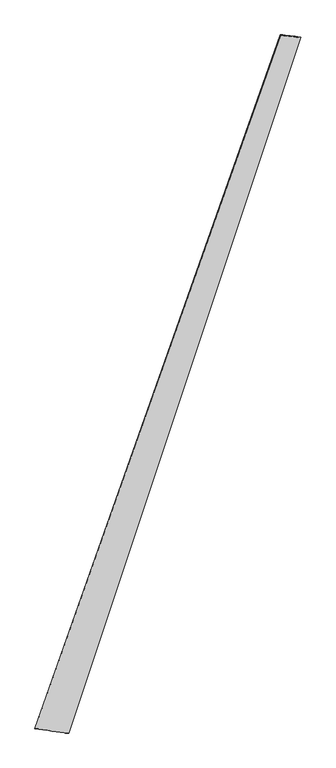
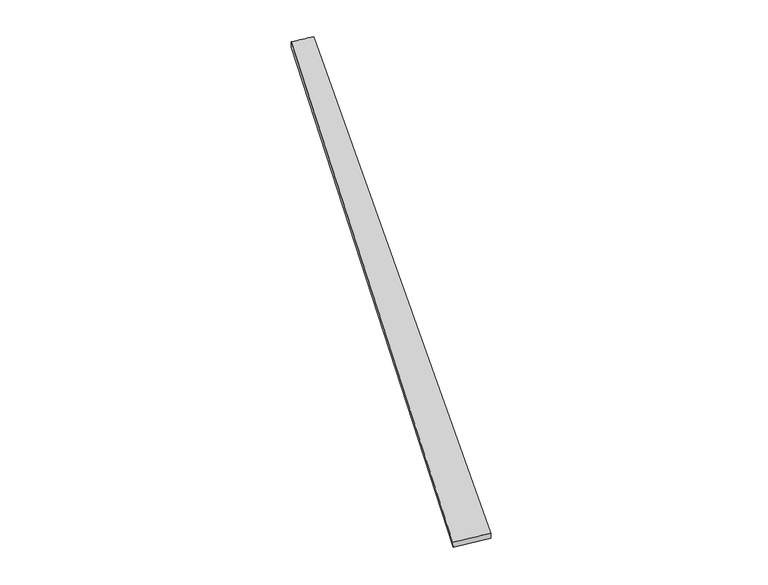
"""IFC4 building model written with IfcOpenShell, lengths in millimetres: proxy geometry."""

from ifc_helpers import new_model, si_unit, origin, place, context, project, spatial, source, transform, mapped, element, save
from ifc_brep_helpers import spline_surface, advanced_brep


def generic_models_8fcbb54f(model_context):
    return source(origin(), model_context, "Body", "AdvancedBrep", [
        advanced_brep(
        [(-732.1420815, -1854.7599398, -0.4414387), (-732.3641894, -1854.6899058, 29.5576573), (722.1145435, 2253.8857995, 30.7168486), (721.3597804, 2254.161324, 0.7276102), (-532.1656209, -1879.3304734, 30.4413059), (842.9045107, 2239.9606048, 29.2724982), (-532.1469596, -1879.345215, 0.4413154), (842.9292607, 2239.9438307, -0.7274869)],
        [
            (0, 1),
            (1, 2),
            (2, 3),
            (3, 0),
            (1, 4),
            (4, 5),
            (5, 2),
            (4, 6),
            (6, 7),
            (7, 5),
            (6, 0),
            (3, 7),
        ],
        [
            spline_surface(1, 1, [[(-732.1420815, -1854.7599398, -0.4414387), (721.3597804, 2254.161324, 0.7276102)], [(-732.3641894, -1854.6899058, 29.5576573), (722.1145435, 2253.8857995, 30.7168486)]], [2, 2], [2, 2], [0.0, 1.0], [0.0, 1.0]),
            spline_surface(1, 1, [[(-732.3641894, -1854.6899058, 29.5576573), (722.1145435, 2253.8857995, 30.7168486)], [(-532.1656209, -1879.3304734, 30.4413059), (842.9045107, 2239.9606048, 29.2724982)]], [2, 2], [2, 2], [0.0, 1.0], [0.0, 1.0]),
            spline_surface(1, 1, [[(-532.1656209, -1879.3304734, 30.4413059), (842.9045107, 2239.9606048, 29.2724982)], [(-532.1469596, -1879.345215, 0.4413154), (842.9292607, 2239.9438307, -0.7274869)]], [2, 2], [2, 2], [0.0, 1.0], [0.0, 1.0]),
            spline_surface(1, 1, [[(-532.1469596, -1879.345215, 0.4413154), (842.9292607, 2239.9438307, -0.7274869)], [(-732.1420815, -1854.7599398, -0.4414387), (721.3597804, 2254.161324, 0.7276102)]], [2, 2], [2, 2], [0.0, 1.0], [0.0, 1.0]),
            spline_surface(1, 1, [[(722.1145435, 2253.8857995, 30.7168486), (721.3597804, 2254.161324, 0.7276102)], [(842.9045107, 2239.9606048, 29.2724982), (842.9292607, 2239.9438307, -0.7274869)]], [2, 2], [2, 2], [0.0, 1.0], [0.0, 1.0]),
            spline_surface(1, 1, [[(-532.1469596, -1879.345215, 0.4413154), (-732.1420815, -1854.7599398, -0.4414387)], [(-532.1656209, -1879.3304734, 30.4413059), (-732.3641894, -1854.6899058, 29.5576573)]], [2, 2], [2, 2], [0.0, 1.0], [0.0, 1.0]),
        ],
        [
            (0, [[1, 2, 3, 4]]),
            (1, [[5, 6, 7, -2]]),
            (2, [[8, 9, 10, -6]]),
            (3, [[11, -4, 12, -9]]),
            (4, [[-3, -7, -10, -12]]),
            (5, [[-11, -8, -5, -1]]),
        ],
    ),
    ])


if __name__ == "__main__":
    model = new_model("IFC4")
    model_context = context("Model", 3, world=origin())
    ifc_project = project(units=[si_unit("LENGTHUNIT", "METRE", prefix="MILLI")], contexts=[model_context])
    site = spatial("IfcSite", under=ifc_project)
    building = spatial("IfcBuilding", under=site)
    placement = place(None, origin())
    generic_models_shape = generic_models_8fcbb54f(model_context)
    element("IfcBuildingElementProxy", 1, Name="Generic Models", at=placement, inside=building, context=model_context, shape_type="MappedRepresentation", body=[
        mapped(generic_models_shape, transform((0.0, 0.0, 0.0), x_axis=(1.0, 0.0, 0.0), y_axis=(0.0, 1.0, 0.0), z_axis=(0.0, 0.0, 1.0))),
    ])
    save(model, "model.ifc")
